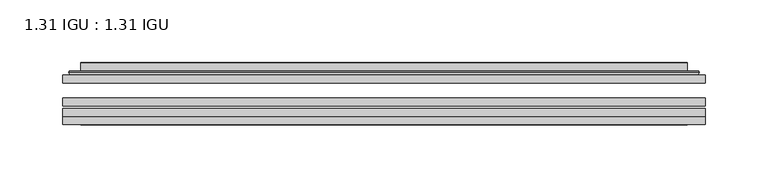
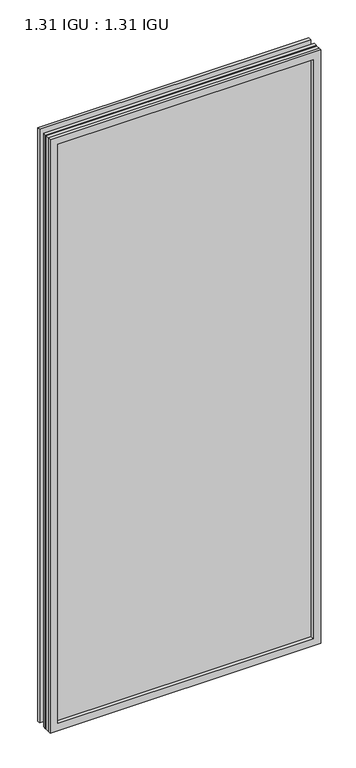
"""IFC4 building model written with IfcOpenShell, lengths in millimetres: plate geometry, 1.31 IGU : 1.31 IGU."""

from ifc_helpers import new_model, si_unit, frame, origin, place, context, project, spatial, polyline, ellipse_curve, outline, extrude, faceted_brep, source, transform, mapped, element, save
from ifc_brep_helpers import plane_surface, cylinder_surface, advanced_brep


def plate_1_31_igu_1_31_igu_50993b95(model_context):
    return source(origin(), model_context, "Body", "SolidModel", [
        extrude(outline(polyline([(255.601675, -63.2975937), (255.601675, -69.6475938), (-255.5875, -69.6475938), (-255.5875, -63.2975937), (255.601675, -63.2975937)])), frame((0.0, 0.0, -14.2875), z_axis=(0.0, 0.0, 1.0), x_axis=(1.0, 0.0, 0.0)), (0.0, 0.0, 1.0), 1184.2787979),
        extrude(outline(polyline([(-255.5875, -78.2835938), (-255.5875, -71.9330887), (255.601675, -71.9330887), (255.601675, -78.2835938), (-255.5875, -78.2835938)])), frame((0.0, 0.0, -14.2875), z_axis=(0.0, 0.0, 1.0), x_axis=(1.0, 0.0, 0.0)), (0.0, 0.0, 1.0), 1184.2787979),
        extrude(outline(polyline([(255.601675, -44.9587937), (255.601675, -51.3087938), (-255.5875, -51.3087938), (-255.5875, -44.9587937), (255.601675, -44.9587937)])), frame((0.0, 0.0, -14.2875), z_axis=(0.0, 0.0, 1.0), x_axis=(1.0, 0.0, 0.0)), (0.0, 0.0, 1.0), 1184.2787979),
        faceted_brep([(-255.6002, -84.6335937, 1170.0002), (-255.6002, -78.2835937, 1170.0002), (-255.6002, -78.2835937, -14.3002), (-255.6002, -84.6335937, -14.3002), (255.6002, -78.2835937, -14.3002), (255.6002, -84.6335937, -14.3002), (255.6002, -78.2835937, 1170.0002), (255.6002, -84.6335937, 1170.0002), (-240.4022559, -78.2835937, 0.8977441), (240.4022559, -78.2835937, 0.8977441), (240.4022559, -78.2835937, 1154.8022559), (-240.4022559, -78.2835937, 1154.8022559), (-241.2946902, -84.6335937, 1155.6946902), (241.2946902, -84.6335937, 1155.6946902), (241.2946902, -84.6335937, 0.0053098), (-241.2946902, -84.6335937, 0.0053098)], [[[0, 1, 2, 3]], [[3, 2, 4, 5]], [[5, 4, 6, 7]], [[1, 6, 4, 2], [8, 9, 10, 11]], [[7, 6, 1, 0]], [[3, 5, 7, 0], [12, 13, 14, 15]], [[11, 12, 15, 8]], [[8, 15, 14, 9]], [[9, 14, 13, 10]], [[10, 13, 12, 11]]]),
        advanced_brep(
        [(-248.346219, -44.9587937, 1162.746219), (-250.7004244, -42.9691271, 1165.1004244), (-250.7004244, -42.9691271, -9.4004244), (-248.346219, -44.9587937, -7.046219), (-239.2718939, -41.1187568, 1153.6718939), (-234.3370621, -44.9587937, 1148.7370621), (-234.3370621, -44.9587937, 6.9629379), (-239.2718939, -41.1187568, 2.0281061), (-240.3039217, -35.7215256, 1154.7039217), (-240.3039217, -35.7215256, 0.9960783), (-241.2945784, -35.3225507, 1155.6945784), (-241.2945784, -35.3225507, 0.0054216), (-241.2945784, -41.7837937, 1155.6945784), (-241.2945784, -41.7837937, 0.0054216), (-249.6986349, -41.7837937, 1164.0986349), (-249.6986349, -41.7837937, -8.3986349), (250.7004244, -42.9691271, -9.4004244), (248.346219, -44.9587937, -7.046219), (234.3370621, -44.9587937, 6.9629379), (239.2718939, -41.1187568, 2.0281061), (240.3039217, -35.7215256, 0.9960783), (241.2945784, -35.3225507, 0.0054216), (241.2945784, -41.7837937, 0.0054216), (249.6986349, -41.7837937, -8.3986349), (250.7004244, -42.9691271, 1165.1004244), (248.346219, -44.9587937, 1162.746219), (234.3370621, -44.9587937, 1148.7370621), (239.2718939, -41.1187568, 1153.6718939), (240.3039217, -35.7215256, 1154.7039217), (241.2945784, -35.3225507, 1155.6945784), (241.2945784, -41.7837937, 1155.6945784), (249.6986349, -41.7837937, 1164.0986349)],
        [
            (0, 1, ellipse_curve(frame((-248.346219, -42.5711937, 1162.746219), z_axis=(-0.7071067811865475, 0.0, -0.7071067811865475), x_axis=(-0.7071067811865474, 0.0, 0.7071067811865476)), 3.3765763, 2.3876)),
            (1, 2),
            (2, 3, ellipse_curve(frame((-248.346219, -42.5711937, -7.046219), z_axis=(-0.7071067811865475, 0.0, 0.7071067811865475), x_axis=(0.7071067811865474, 0.0, 0.7071067811865476)), 3.3765763, 2.3876)),
            (3, 0),
            (4, 5),
            (5, 6),
            (6, 7),
            (7, 4),
            (8, 4),
            (7, 9),
            (9, 8),
            (10, 8, ellipse_curve(frame((-240.9276219, -35.840786, 1155.3276219), z_axis=(-0.7071067811865475, 0.0, -0.7071067811865475), x_axis=(-0.7071067811865474, 0.0, 0.7071067811865476)), 0.8980256, 0.635)),
            (9, 11, ellipse_curve(frame((-240.9276219, -35.840786, 0.3723781), z_axis=(-0.7071067811865475, 0.0, 0.7071067811865475), x_axis=(0.7071067811865474, 0.0, 0.7071067811865476)), 0.8980256, 0.635)),
            (11, 10),
            (12, 10),
            (11, 13),
            (13, 12),
            (1, 14, ellipse_curve(frame((-249.6986349, -42.7997937, 1164.0986349), z_axis=(-0.7071067811865475, 0.0, -0.7071067811865475), x_axis=(-0.7071067811865474, 0.0, 0.7071067811865476)), 1.436841, 1.016)),
            (14, 15),
            (15, 2, ellipse_curve(frame((-249.6986349, -42.7997937, -8.3986349), z_axis=(-0.7071067811865475, 0.0, 0.7071067811865475), x_axis=(0.7071067811865474, 0.0, 0.7071067811865476)), 1.436841, 1.016)),
            (2, 16),
            (16, 17, ellipse_curve(frame((248.346219, -42.5711937, -7.046219), z_axis=(-0.7071067811865475, 0.0, -0.7071067811865475), x_axis=(-0.7071067811865476, 0.0, 0.7071067811865474)), 3.3765763, 2.3876)),
            (17, 3),
            (6, 18),
            (18, 19),
            (19, 7),
            (19, 20),
            (20, 9),
            (20, 21, ellipse_curve(frame((240.9276219, -35.840786, 0.3723781), z_axis=(-0.7071067811865475, 0.0, -0.7071067811865475), x_axis=(-0.7071067811865476, 0.0, 0.7071067811865474)), 0.8980256, 0.635)),
            (21, 11),
            (21, 22),
            (22, 13),
            (15, 23),
            (23, 16, ellipse_curve(frame((249.6986349, -42.7997937, -8.3986349), z_axis=(-0.7071067811865475, 0.0, -0.7071067811865475), x_axis=(-0.7071067811865476, 0.0, 0.7071067811865474)), 1.436841, 1.016)),
            (16, 24),
            (24, 25, ellipse_curve(frame((248.346219, -42.5711937, 1162.746219), z_axis=(0.7071067811865475, 0.0, -0.7071067811865475), x_axis=(-0.7071067811865474, 0.0, -0.7071067811865476)), 3.3765763, 2.3876)),
            (25, 17),
            (18, 26),
            (26, 27),
            (27, 19),
            (27, 28),
            (28, 20),
            (28, 29, ellipse_curve(frame((240.9276219, -35.840786, 1155.3276219), z_axis=(0.7071067811865475, 0.0, -0.7071067811865475), x_axis=(-0.7071067811865474, 0.0, -0.7071067811865476)), 0.8980256, 0.635)),
            (29, 21),
            (29, 30),
            (30, 22),
            (23, 31),
            (31, 24, ellipse_curve(frame((249.6986349, -42.7997937, 1164.0986349), z_axis=(0.7071067811865475, 0.0, -0.7071067811865475), x_axis=(-0.7071067811865474, 0.0, -0.7071067811865476)), 1.436841, 1.016)),
            (24, 1),
            (0, 25),
            (5, 26),
            (4, 27),
            (8, 28),
            (10, 29),
            (12, 30),
            (14, 31),
        ],
        [
            cylinder_surface(frame((-248.346219, -42.5711937, 1187.45), z_axis=(0.0, 0.0, 1.0), x_axis=(-1.0, 0.0, 0.0)), 2.3876),
            plane_surface(frame((-234.3370621, -44.9587937, 1148.7370621), z_axis=(0.6141233906514794, 0.7892100234124821, 0.0), x_axis=(0.0, 0.0, -1.0))),
            plane_surface(frame((-239.2718939, -41.1187568, 1153.6718939), z_axis=(0.9822050625507729, 0.18781164793386076, 0.0), x_axis=(0.0, 0.0, -1.0))),
            cylinder_surface(frame((-240.9276219, -35.840786, 1187.45), z_axis=(0.0, 0.0, 1.0), x_axis=(-1.0, 0.0, 0.0)), 0.635),
            plane_surface(frame((-241.2945784, -35.3225507, 1155.6945784), z_axis=(-1.0, 0.0, 0.0), x_axis=(0.0, 0.0, -1.0))),
            cylinder_surface(frame((-249.6986349, -42.7997937, 1187.45), z_axis=(0.0, 0.0, 1.0), x_axis=(-1.0, 0.0, 0.0)), 1.016),
            cylinder_surface(frame((-273.05, -42.5711937, -7.046219), z_axis=(-1.0, 0.0, 0.0), x_axis=(0.0, 0.0, -1.0)), 2.3876),
            plane_surface(frame((-234.3370621, -44.9587937, 6.9629379), z_axis=(0.0, 0.7892100234124841, 0.6141233906514768), x_axis=(1.0, 0.0, 0.0))),
            plane_surface(frame((-239.2718939, -41.1187568, 2.0281061), z_axis=(0.0, 0.18781164793386393, 0.9822050625507723), x_axis=(1.0, 0.0, 0.0))),
            cylinder_surface(frame((-273.05, -35.840786, 0.3723781), z_axis=(-1.0, 0.0, 0.0), x_axis=(0.0, 0.0, -1.0)), 0.635),
            plane_surface(frame((-241.2945784, -35.3225507, 0.0054216), z_axis=(0.0, 0.0, -1.0), x_axis=(1.0, 0.0, 0.0))),
            cylinder_surface(frame((-273.05, -42.7997937, -8.3986349), z_axis=(-1.0, 0.0, 0.0), x_axis=(0.0, 0.0, -1.0)), 1.016),
            cylinder_surface(frame((248.346219, -42.5711937, -31.75), z_axis=(0.0, 0.0, -1.0), x_axis=(1.0, 0.0, 0.0)), 2.3876),
            plane_surface(frame((234.3370621, -44.9587937, 6.9629379), z_axis=(-0.6141233906514743, 0.7892100234124861, 0.0), x_axis=(0.0, 0.0, 1.0))),
            plane_surface(frame((239.2718939, -41.1187568, 2.0281061), z_axis=(-0.9822050625507718, 0.1878116479338671, 0.0), x_axis=(0.0, 0.0, 1.0))),
            cylinder_surface(frame((240.9276219, -35.840786, -31.75), z_axis=(0.0, 0.0, -1.0), x_axis=(1.0, 0.0, 0.0)), 0.635),
            plane_surface(frame((241.2945784, -35.3225507, 0.0054216), z_axis=(1.0, 0.0, 0.0), x_axis=(0.0, 0.0, 1.0))),
            cylinder_surface(frame((249.6986349, -42.7997937, -31.75), z_axis=(0.0, 0.0, -1.0), x_axis=(1.0, 0.0, 0.0)), 1.016),
            cylinder_surface(frame((273.05, -42.5711937, 1162.746219), z_axis=(1.0, 0.0, 0.0), x_axis=(0.0, 0.0, 1.0)), 2.3876),
            plane_surface(frame((248.346219, -44.9587937, 1162.746219), z_axis=(0.0, -1.0, 0.0), x_axis=(-1.0, 0.0, 0.0))),
            plane_surface(frame((234.3370621, -44.9587937, 1148.7370621), z_axis=(0.0, 0.7892100234124841, -0.6141233906514768), x_axis=(-1.0, 0.0, 0.0))),
            plane_surface(frame((239.2718939, -41.1187568, 1153.6718939), z_axis=(0.0, 0.18781164793386393, -0.9822050625507723), x_axis=(-1.0, 0.0, 0.0))),
            cylinder_surface(frame((273.05, -35.840786, 1155.3276219), z_axis=(1.0, 0.0, 0.0), x_axis=(0.0, 0.0, 1.0)), 0.635),
            plane_surface(frame((241.2945784, -35.3225507, 1155.6945784), z_axis=(0.0, 0.0, 1.0), x_axis=(-1.0, 0.0, 0.0))),
            plane_surface(frame((241.2945784, -41.7837937, 1155.6945784), z_axis=(0.0, 1.0, 0.0), x_axis=(-1.0, 0.0, 0.0))),
            cylinder_surface(frame((273.05, -42.7997937, 1164.0986349), z_axis=(1.0, 0.0, 0.0), x_axis=(0.0, 0.0, 1.0)), 1.016),
        ],
        [
            (0, [[1, 2, 3, 4]]),
            (1, [[5, 6, 7, 8]]),
            (2, [[9, -8, 10, 11]]),
            (3, [[12, -11, 13, 14]]),
            (4, [[15, -14, 16, 17]]),
            (5, [[18, 19, 20, -2]]),
            (6, [[-3, 21, 22, 23]]),
            (7, [[-7, 24, 25, 26]]),
            (8, [[-10, -26, 27, 28]]),
            (9, [[-13, -28, 29, 30]]),
            (10, [[-16, -30, 31, 32]]),
            (11, [[-20, 33, 34, -21]]),
            (12, [[-22, 35, 36, 37]]),
            (13, [[-25, 38, 39, 40]]),
            (14, [[-27, -40, 41, 42]]),
            (15, [[-29, -42, 43, 44]]),
            (16, [[-31, -44, 45, 46]]),
            (17, [[-34, 47, 48, -35]]),
            (18, [[-36, 49, -1, 50]]),
            (19, [[-23, -37, -50, -4], [51, -38, -24, -6]]),
            (20, [[-39, -51, -5, 52]]),
            (21, [[-41, -52, -9, 53]]),
            (22, [[-43, -53, -12, 54]]),
            (23, [[-45, -54, -15, 55]]),
            (24, [[56, -47, -33, -19], [-32, -46, -55, -17]]),
            (25, [[-48, -56, -18, -49]]),
        ],
    ),
    ])


if __name__ == "__main__":
    model = new_model("IFC4")
    model_context = context("Model", 3, world=origin())
    ifc_project = project(units=[si_unit("LENGTHUNIT", "METRE", prefix="MILLI")], contexts=[model_context])
    site = spatial("IfcSite", under=ifc_project)
    building = spatial("IfcBuilding", under=site)
    placement = place(None, origin())
    plate_1_31_igu_1_31_igu_shape = plate_1_31_igu_1_31_igu_50993b95(model_context)
    element("IfcPlate", 1, ObjectType="1.31 IGU : 1.31 IGU", at=placement, inside=building, context=model_context, shape_type="MappedRepresentation", body=[
        mapped(plate_1_31_igu_1_31_igu_shape, transform((0.0, 0.0, 0.0), x_axis=(1.0, 0.0, 0.0), y_axis=(0.0, 1.0, 0.0), z_axis=(0.0, 0.0, 1.0))),
    ])
    save(model, "model.ifc")
